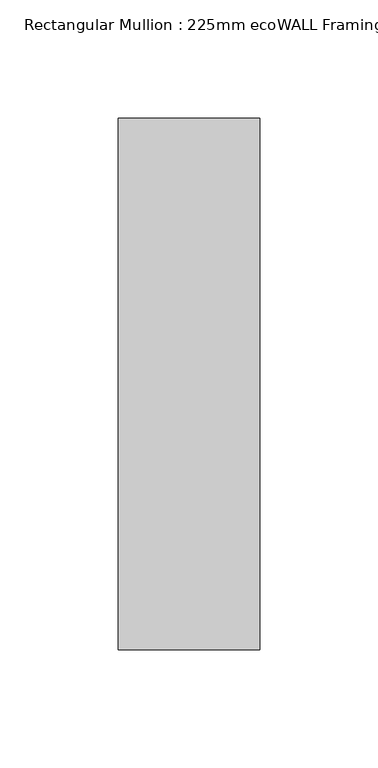
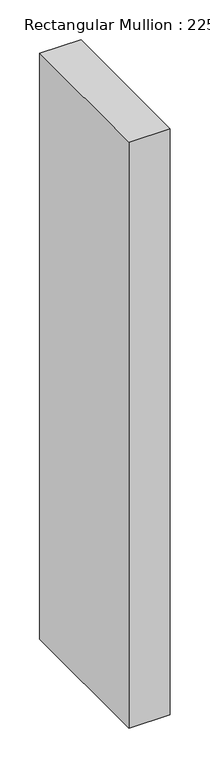
"""IFC4 building model written with IfcOpenShell, lengths in millimetres: member geometry, Rectangular Mullion : 225mm ecoWALL Framing."""

from ifc_helpers import new_model, si_unit, frame, origin, place, context, project, spatial, polyline, outline, extrude, source, transform, mapped, element, save


def rectangular_mullion_225mm_ecowall_framing_3f92a3d0(model_context):
    return source(origin(), model_context, "Body", "SweptSolid", [
        extrude(outline(polyline([(30.0, 112.5), (30.0, -112.5), (-30.0, -112.5), (-30.0, 112.5), (30.0, 112.5)])), frame((0.0, 0.0, -900.0), z_axis=(0.0, 0.0, 1.0), x_axis=(1.0, 0.0, 0.0)), (0.0, 0.0, 1.0), 900.0),
    ])


if __name__ == "__main__":
    model = new_model("IFC4")
    model_context = context("Model", 3, world=origin())
    ifc_project = project(units=[si_unit("LENGTHUNIT", "METRE", prefix="MILLI")], contexts=[model_context])
    site = spatial("IfcSite", under=ifc_project)
    building = spatial("IfcBuilding", under=site)
    placement = place(None, origin())
    rectangular_mullion_225mm_ecowall_framing_shape = rectangular_mullion_225mm_ecowall_framing_3f92a3d0(model_context)
    element("IfcMember", 1, ObjectType="Rectangular Mullion : 225mm ecoWALL Framing", at=placement, inside=building, context=model_context, shape_type="MappedRepresentation", body=[
        mapped(rectangular_mullion_225mm_ecowall_framing_shape, transform((0.0, 0.0, 0.0), x_axis=(1.0, 0.0, 0.0), y_axis=(0.0, 1.0, 0.0), z_axis=(0.0, 0.0, 1.0))),
    ])
    save(model, "model.ifc")
